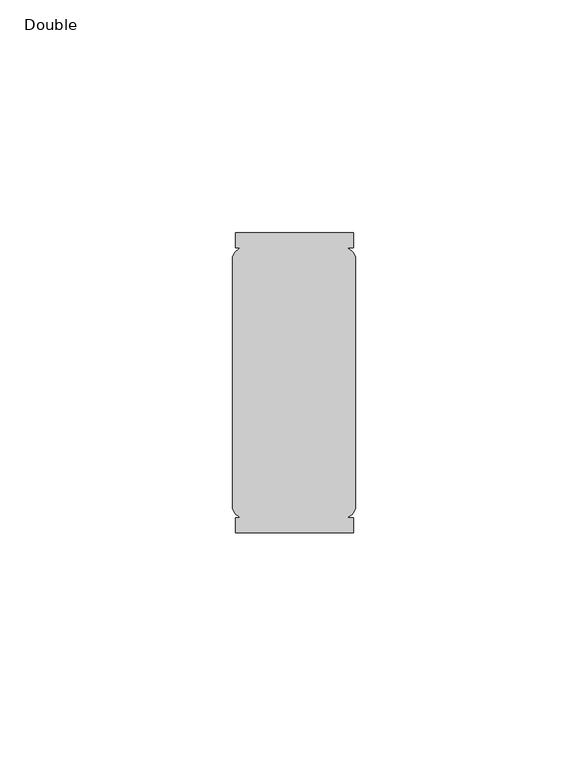
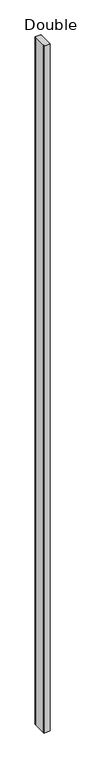
"""IFC4 building model written with IfcOpenShell, lengths in millimetres: furniture geometry, Double."""

from ifc_helpers import new_model, si_unit, point, frame, frame_2d, origin, place, context, project, spatial, polyline, circle_curve, trimmed, segment, composite_curve, outline, extrude, source, transform, mapped, element, save


def double_8528f801(model_context):
    return source(origin(), model_context, "Body", "SweptSolid", [
        extrude(outline(composite_curve([segment(trimmed(circle_curve(frame_2d((-10.5835219, 21.8354858)), 2.794), [point((-13.2844361, 22.5506771))], [point((-11.2987132, 24.5364))], False, "CARTESIAN"), True, "CONTINUOUS"), segment(polyline([(-11.2987132, 24.5364), (-12.7, 24.5364), (-12.7, 27.7114), (12.7, 27.7114), (12.7, 24.5364), (11.0532868, 24.5364)]), True, "CONTINUOUS"), segment(trimmed(circle_curve(frame_2d((10.3380955, 21.8354858)), 2.794), [point((11.0532868, 24.5364))], [point((13.0390096, 22.5506771))], False, "CARTESIAN"), True, "CONTINUOUS"), segment(polyline([(13.0390096, 22.5506771), (13.0390096, -31.4914771)]), True, "CONTINUOUS"), segment(trimmed(circle_curve(frame_2d((10.3380955, -30.7762858)), 2.794), [point((13.0390096, -31.4914771))], [point((11.0532868, -33.4772))], False, "CARTESIAN"), True, "CONTINUOUS"), segment(polyline([(11.0532868, -33.4772), (12.7, -33.4772), (12.7, -36.6522), (-12.7, -36.6522), (-12.7, -33.4772), (-11.2987132, -33.4772)]), True, "CONTINUOUS"), segment(trimmed(circle_curve(frame_2d((-10.5835219, -30.7762858)), 2.794), [point((-11.2987132, -33.4772))], [point((-13.2844361, -31.4914771))], False, "CARTESIAN"), True, "CONTINUOUS"), segment(polyline([(-13.2844361, -31.4914771), (-13.2844361, 22.5506771)]), True, "CONTINUOUS")], self_intersect=False)), frame((0.0, 0.0, 29.718), z_axis=(0.0, 0.0, 1.0), x_axis=(1.0, 0.0, 0.0)), (0.0, 0.0, 1.0), 2972.9641818),
    ])


if __name__ == "__main__":
    model = new_model("IFC4")
    model_context = context("Model", 3, world=origin())
    ifc_project = project(units=[si_unit("LENGTHUNIT", "METRE", prefix="MILLI")], contexts=[model_context])
    site = spatial("IfcSite", under=ifc_project)
    building = spatial("IfcBuilding", under=site)
    placement = place(None, origin())
    double_shape = double_8528f801(model_context)
    element("IfcFurniture", 1, ObjectType="Double", at=placement, inside=building, context=model_context, shape_type="MappedRepresentation", body=[
        mapped(double_shape, transform((0.0, 0.0, 0.0), x_axis=(1.0, 0.0, 0.0), y_axis=(0.0, 1.0, 0.0), z_axis=(0.0, 0.0, 1.0))),
    ])
    save(model, "model.ifc")
